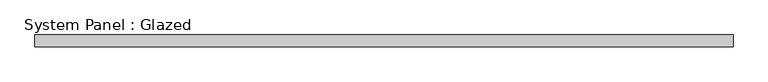
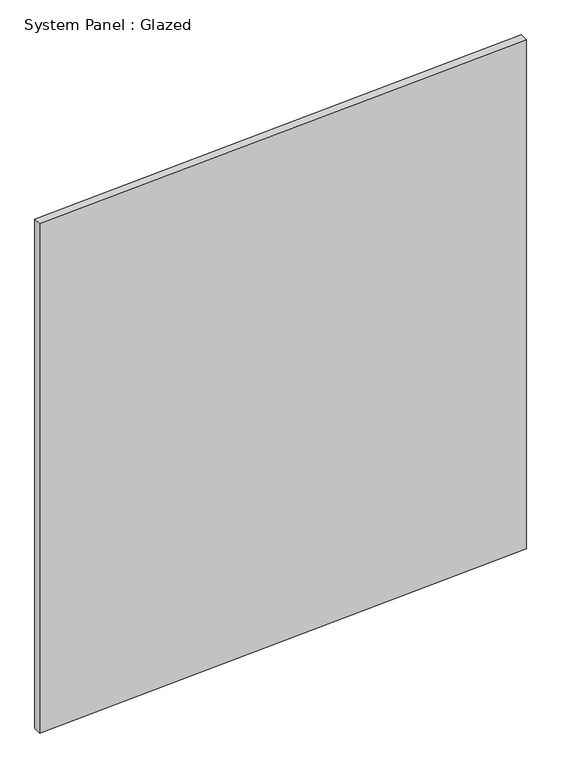
"""IFC4 building model written with IfcOpenShell, lengths in millimetres: plate geometry, System Panel : Glazed."""

from ifc_helpers import new_model, si_unit, frame, origin, place, context, project, spatial, polyline, outline, extrude, source, transform, mapped, element, save


def system_panel_glazed_5109eb0c(model_context):
    return source(origin(), model_context, "Body", "SweptSolid", [
        extrude(outline(polyline([(0.0, -750.0), (75.0, 750.0), (1733.2919201, 750.0), (1658.2919201, -750.0), (0.0, -750.0)])), frame((0.0, 24.5, 0.0), z_axis=(0.0, 1.0, 0.0), x_axis=(0.0, 0.0, 1.0)), (0.0, 0.0, 1.0), 25.0),
    ])


if __name__ == "__main__":
    model = new_model("IFC4")
    model_context = context("Model", 3, world=origin())
    ifc_project = project(units=[si_unit("LENGTHUNIT", "METRE", prefix="MILLI")], contexts=[model_context])
    site = spatial("IfcSite", under=ifc_project)
    building = spatial("IfcBuilding", under=site)
    placement = place(None, origin())
    system_panel_glazed_shape = system_panel_glazed_5109eb0c(model_context)
    element("IfcPlate", 1, ObjectType="System Panel : Glazed", at=placement, inside=building, context=model_context, shape_type="MappedRepresentation", body=[
        mapped(system_panel_glazed_shape, transform((0.0, 0.0, 0.0), x_axis=(1.0, 0.0, 0.0), y_axis=(0.0, 1.0, 0.0), z_axis=(0.0, 0.0, 1.0))),
    ])
    save(model, "model.ifc")
